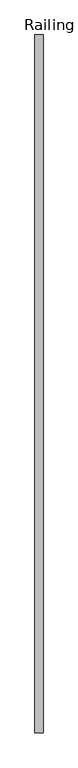
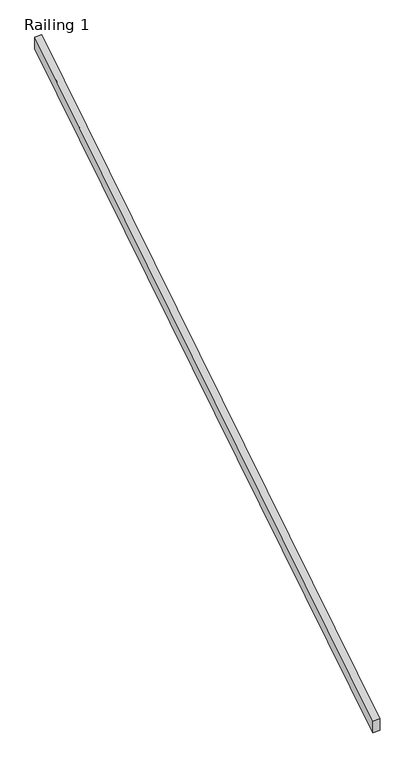
"""IFC4 building model written with IfcOpenShell, lengths in millimetres: railing geometry, Railing 1."""

from ifc_helpers import new_model, si_unit, frame, origin, place, context, project, spatial, polyline, outline, extrude, source, transform, mapped, element, save


def railing_1_48f028d2(model_context):
    return source(origin(), model_context, "Body", "SweptSolid", [
        extrude(outline(polyline([(176543.4596581, 1138.5313094), (176543.4596581, 1228.4891807), (180886.8596581, 3953.7679687), (180886.8596581, 3863.8100975), (176543.4596581, 1138.5313094)])), frame((220634.6978488, 0.0, 0.0), z_axis=(1.0, 0.0, 0.0), x_axis=(0.0, 1.0, 0.0)), (0.0, 0.0, 1.0), 50.8),
    ])


if __name__ == "__main__":
    model = new_model("IFC4")
    model_context = context("Model", 3, world=origin())
    ifc_project = project(units=[si_unit("LENGTHUNIT", "METRE", prefix="MILLI")], contexts=[model_context])
    site = spatial("IfcSite", under=ifc_project)
    building = spatial("IfcBuilding", under=site)
    placement = place(None, origin())
    railing_1_shape = railing_1_48f028d2(model_context)
    element("IfcRailing", 1, ObjectType="Railing 1", at=placement, inside=building, context=model_context, shape_type="MappedRepresentation", body=[
        mapped(railing_1_shape, transform((0.0, 0.0, 0.0), x_axis=(1.0, 0.0, 0.0), y_axis=(0.0, 1.0, 0.0), z_axis=(0.0, 0.0, 1.0))),
    ])
    save(model, "model.ifc")
